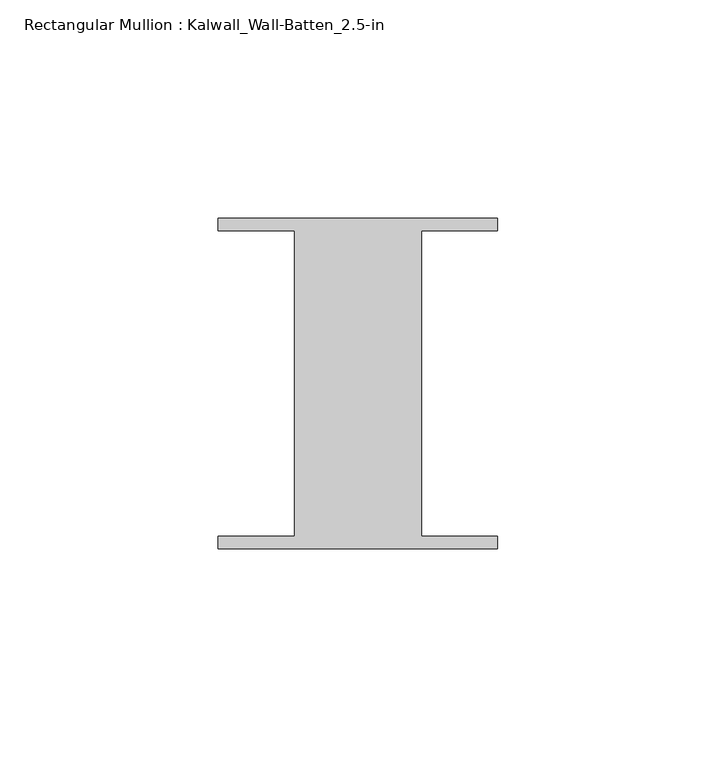
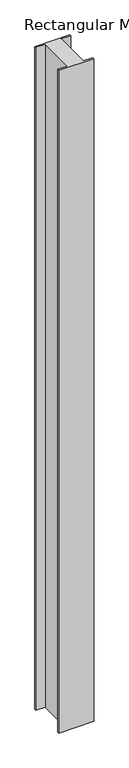
"""IFC4 building model written with IfcOpenShell, lengths in millimetres: member geometry, Rectangular Mullion : Kalwall_Wall-Batten_2.5-in."""

from ifc_helpers import new_model, si_unit, frame, origin, place, context, project, spatial, polyline, outline, extrude, source, transform, mapped, element, save


def rectangular_mullion_kalwall_wall_batten_2_5_in_48f5dc8f(model_context):
    return source(origin(), model_context, "Body", "SweptSolid", [
        extrude(outline(polyline([(-32.0, 36.524), (32.0, 36.524), (32.0, 33.73), (14.5, 33.73), (14.5, -36.27), (32.0, -36.27), (32.0, -39.064), (-32.0, -39.064), (-32.0, -36.27), (-14.5, -36.27), (-14.5, 33.73), (-32.0, 33.73), (-32.0, 36.524)])), frame((0.0, 0.0, -1280.2068), z_axis=(0.0, 0.0, 1.0), x_axis=(1.0, 0.0, 0.0)), (0.0, 0.0, 1.0), 1280.2068),
    ])


if __name__ == "__main__":
    model = new_model("IFC4")
    model_context = context("Model", 3, world=origin())
    ifc_project = project(units=[si_unit("LENGTHUNIT", "METRE", prefix="MILLI")], contexts=[model_context])
    site = spatial("IfcSite", under=ifc_project)
    building = spatial("IfcBuilding", under=site)
    placement = place(None, origin())
    rectangular_mullion_kalwall_wall_batten_2_5_in_shape = rectangular_mullion_kalwall_wall_batten_2_5_in_48f5dc8f(model_context)
    element("IfcMember", 1, ObjectType="Rectangular Mullion : Kalwall_Wall-Batten_2.5-in", at=placement, inside=building, context=model_context, shape_type="MappedRepresentation", body=[
        mapped(rectangular_mullion_kalwall_wall_batten_2_5_in_shape, transform((0.0, 0.0, 0.0), x_axis=(1.0, 0.0, 0.0), y_axis=(0.0, 1.0, 0.0), z_axis=(0.0, 0.0, 1.0))),
    ])
    save(model, "model.ifc")
